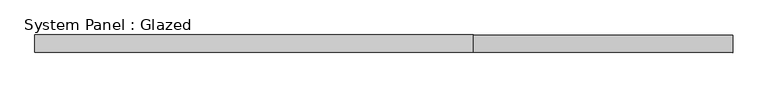
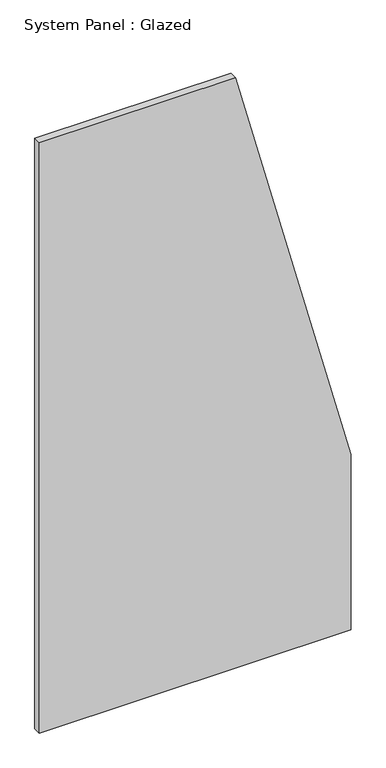
"""IFC4 building model written with IfcOpenShell, lengths in millimetres: plate geometry, System Panel : Glazed."""

from ifc_helpers import new_model, si_unit, frame, origin, place, context, project, spatial, polyline, outline, extrude, source, transform, mapped, element, save


def system_panel_glazed_20393b7d(model_context):
    return source(origin(), model_context, "Body", "SweptSolid", [
        extrude(outline(polyline([(0.0, -500.0), (0.0, 500.0), (594.5945934, 500.0), (2000.0, 128.5714283), (2000.0, -500.0), (0.0, -500.0)])), frame((0.0, 24.5, 0.0), z_axis=(0.0, 1.0, 0.0), x_axis=(0.0, 0.0, 1.0)), (0.0, 0.0, 1.0), 25.0),
    ])


if __name__ == "__main__":
    model = new_model("IFC4")
    model_context = context("Model", 3, world=origin())
    ifc_project = project(units=[si_unit("LENGTHUNIT", "METRE", prefix="MILLI")], contexts=[model_context])
    site = spatial("IfcSite", under=ifc_project)
    building = spatial("IfcBuilding", under=site)
    placement = place(None, origin())
    system_panel_glazed_shape = system_panel_glazed_20393b7d(model_context)
    element("IfcPlate", 1, ObjectType="System Panel : Glazed", at=placement, inside=building, context=model_context, shape_type="MappedRepresentation", body=[
        mapped(system_panel_glazed_shape, transform((0.0, 0.0, 0.0), x_axis=(1.0, 0.0, 0.0), y_axis=(0.0, 1.0, 0.0), z_axis=(0.0, 0.0, 1.0))),
    ])
    save(model, "model.ifc")
